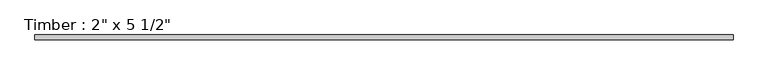
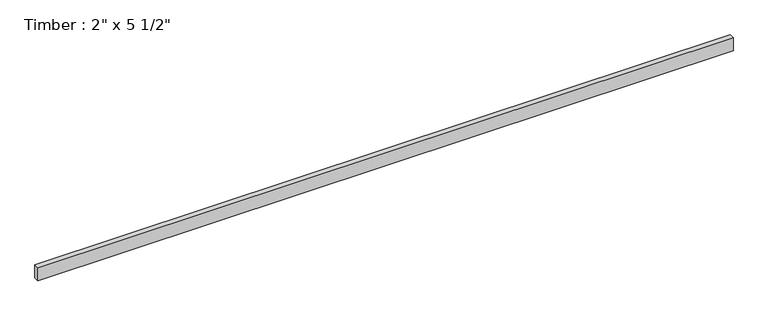
"""IFC4 building model written with IfcOpenShell, lengths in millimetres: beam geometry."""

from ifc_helpers import new_model, si_unit, frame, origin, place, context, project, spatial, polyline, outline, extrude, source, transform, mapped, element, save


def beam_652e6643(model_context):
    return source(origin(), model_context, "Body", "SweptSolid", [
        extrude(outline(polyline([(3488.7464885, 25.4), (3488.7464885, -25.4), (-3488.7464885, -25.4), (-3488.7464885, 25.4), (3488.7464885, 25.4)])), frame((0.0, 0.0, -69.85), z_axis=(0.0, 0.0, 1.0), x_axis=(1.0, 0.0, 0.0)), (0.0, 0.0, 1.0), 139.7),
    ])


if __name__ == "__main__":
    model = new_model("IFC4")
    model_context = context("Model", 3, world=origin())
    ifc_project = project(units=[si_unit("LENGTHUNIT", "METRE", prefix="MILLI")], contexts=[model_context])
    site = spatial("IfcSite", under=ifc_project)
    building = spatial("IfcBuilding", under=site)
    placement = place(None, origin())
    beam_shape = beam_652e6643(model_context)
    element("IfcBeam", 1, ObjectType="Timber : 2\" x 5 1/2\"", at=placement, inside=building, context=model_context, shape_type="MappedRepresentation", body=[
        mapped(beam_shape, transform((0.0, 0.0, 0.0), x_axis=(1.0, 0.0, 0.0), y_axis=(0.0, 1.0, 0.0), z_axis=(0.0, 0.0, 1.0))),
    ])
    save(model, "model.ifc")
